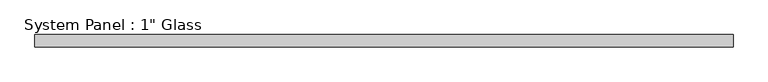
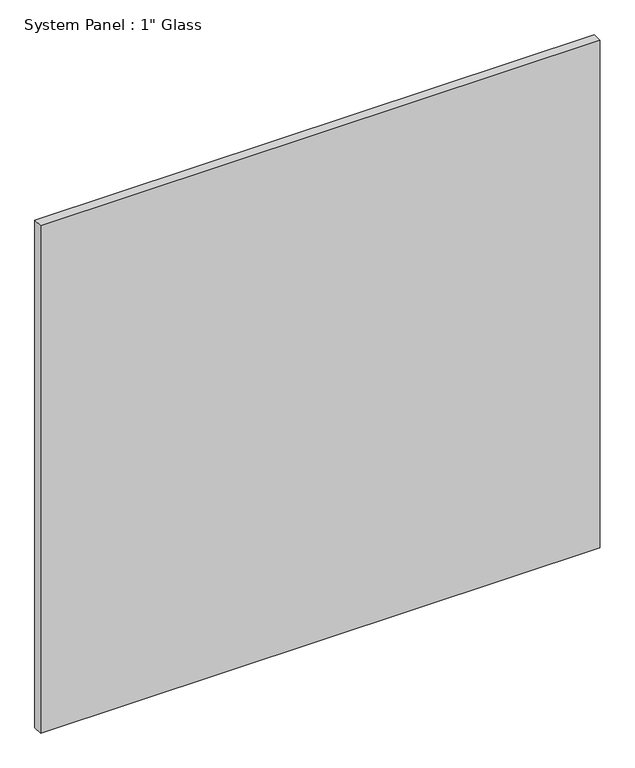
"""IFC4 building model written with IfcOpenShell, lengths in millimetres: plate geometry."""

from ifc_helpers import new_model, si_unit, origin, origin_with_axes, place, context, project, spatial, polyline, outline, extrude, source, transform, mapped, element, save


def plate_e52e743c(model_context):
    return source(origin(), model_context, "Body", "SweptSolid", [
        extrude(outline(polyline([(729.2430865, -12.7), (-729.2430865, -12.7), (-729.2430865, 12.7), (729.2430865, 12.7), (729.2430865, -12.7)])), origin_with_axes(), (0.0, 0.0, 1.0), 1397.5261731),
    ])


if __name__ == "__main__":
    model = new_model("IFC4")
    model_context = context("Model", 3, world=origin())
    ifc_project = project(units=[si_unit("LENGTHUNIT", "METRE", prefix="MILLI")], contexts=[model_context])
    site = spatial("IfcSite", under=ifc_project)
    building = spatial("IfcBuilding", under=site)
    placement = place(None, origin())
    plate_shape = plate_e52e743c(model_context)
    element("IfcPlate", 1, ObjectType="System Panel : 1\" Glass", at=placement, inside=building, context=model_context, shape_type="MappedRepresentation", body=[
        mapped(plate_shape, transform((0.0, 0.0, 0.0), x_axis=(1.0, 0.0, 0.0), y_axis=(0.0, 1.0, 0.0), z_axis=(0.0, 0.0, 1.0))),
    ])
    save(model, "model.ifc")
